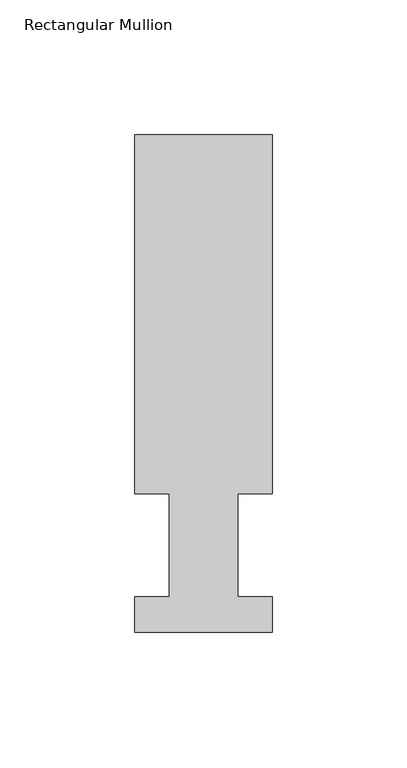
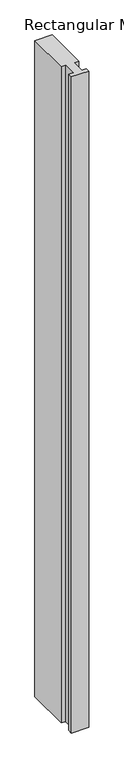
"""IFC4 building model written with IfcOpenShell, lengths in millimetres: member geometry, Rectangular Mullion."""

from ifc_helpers import new_model, si_unit, frame, origin, place, context, project, spatial, polyline, outline, extrude, source, transform, mapped, element, save


def rectangular_mullion_65b2c85c(model_context):
    return source(origin(), model_context, "Body", "SweptSolid", [
        extrude(outline(polyline([(25.4, 184.2396938), (25.4, 51.2960937), (12.7, 51.2960937), (12.7, 13.1955073), (25.4, 13.1955073), (25.4, 0.0134937), (-25.4, 0.0134937), (-25.4, 13.1960938), (-12.7, 13.1960938), (-12.7, 51.2960937), (-25.4, 51.2960937), (-25.4, 184.2396938), (25.4, 184.2396938)])), frame((0.0, 0.0, -2019.3), z_axis=(0.0, 0.0, 1.0), x_axis=(1.0, 0.0, 0.0)), (0.0, 0.0, 1.0), 2019.3),
    ])


if __name__ == "__main__":
    model = new_model("IFC4")
    model_context = context("Model", 3, world=origin())
    ifc_project = project(units=[si_unit("LENGTHUNIT", "METRE", prefix="MILLI")], contexts=[model_context])
    site = spatial("IfcSite", under=ifc_project)
    building = spatial("IfcBuilding", under=site)
    placement = place(None, origin())
    rectangular_mullion_shape = rectangular_mullion_65b2c85c(model_context)
    element("IfcMember", 1, ObjectType="Rectangular Mullion", at=placement, inside=building, context=model_context, shape_type="MappedRepresentation", body=[
        mapped(rectangular_mullion_shape, transform((0.0, 0.0, 0.0), x_axis=(1.0, 0.0, 0.0), y_axis=(0.0, 1.0, 0.0), z_axis=(0.0, 0.0, 1.0))),
    ])
    save(model, "model.ifc")
